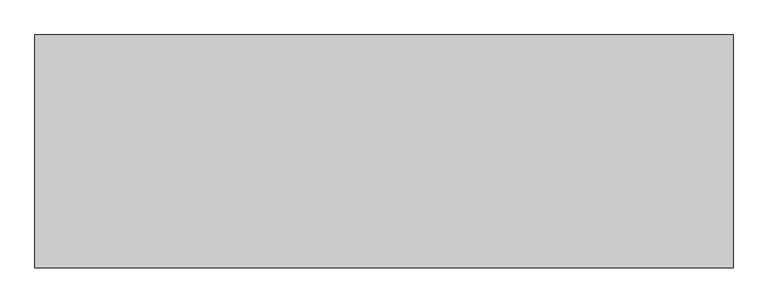
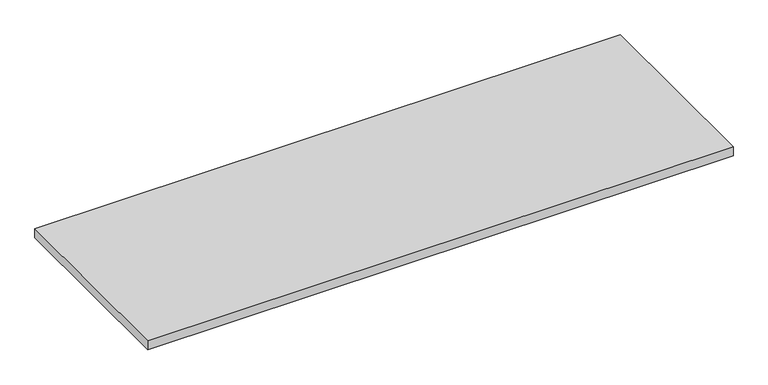
"""IFC4 building model written with IfcOpenShell, lengths in millimetres: furniture geometry."""

from ifc_helpers import new_model, si_unit, frame, origin, place, context, project, spatial, polyline, outline, extrude, source, transform, mapped, element, save


def furniture_2de20143(model_context):
    return source(origin(), model_context, "Body", "SweptSolid", [
        extrude(outline(polyline([(914.4, 304.8), (914.4, -304.8), (-914.4, -304.8), (-914.4, 304.8), (914.4, 304.8)])), frame((0.0, 0.0, 706.4375), z_axis=(0.0, 0.0, 1.0), x_axis=(1.0, 0.0, 0.0)), (0.0, 0.0, 1.0), 30.1625),
    ])


if __name__ == "__main__":
    model = new_model("IFC4")
    model_context = context("Model", 3, world=origin())
    ifc_project = project(units=[si_unit("LENGTHUNIT", "METRE", prefix="MILLI")], contexts=[model_context])
    site = spatial("IfcSite", under=ifc_project)
    building = spatial("IfcBuilding", under=site)
    placement = place(None, origin())
    furniture_shape = furniture_2de20143(model_context)
    element("IfcFurniture", 1, at=placement, inside=building, context=model_context, shape_type="MappedRepresentation", body=[
        mapped(furniture_shape, transform((0.0, 0.0, 0.0), x_axis=(1.0, 0.0, 0.0), y_axis=(0.0, 1.0, 0.0), z_axis=(0.0, 0.0, 1.0))),
    ])
    save(model, "model.ifc")
